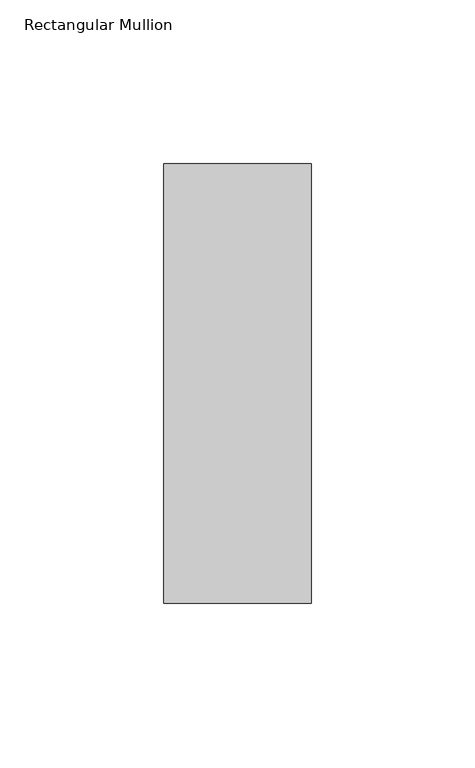
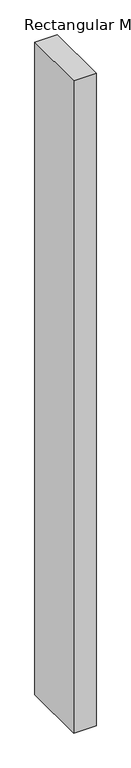
"""IFC4 building model written with IfcOpenShell, lengths in millimetres: member geometry, Rectangular Mullion."""

import ifcopenshell
import ifcopenshell.guid

model = None  # the IFC model being written
_history = None  # IfcOwnerHistory: only IFC2X3 demands one
_inside = {}  # id of a spatial element -> (the spatial element, [elements in it])
_under = {}  # id of a project, library or spatial element -> (it, [spatial elements below it])
_declared = {}  # id of a project -> (the project, [libraries it declares])
_typed = {}  # id of a type object -> (the type object, [elements of that type])
_made_of = {}  # id of a material, layer set ... -> (it, [elements and type objects made of it])


def new_model(schema):
    """Start an empty IFC model of exactly this schema.

    Asked for "IFC4X3", IfcOpenShell would pick the latest addendum, in which some entities
    have other attributes; the version numbers below select the first issue.
    IFC2X3 requires an IfcOwnerHistory on every rooted entity: one is made here for all.
    """
    global model, _history
    if schema == "IFC4X3":
        model = ifcopenshell.file(schema_version=(4, 3, 0, 0))
    else:
        model = ifcopenshell.file(schema=schema)
    _inside.clear()
    _under.clear()
    _declared.clear()
    _typed.clear()
    _made_of.clear()
    _history = None
    if model.schema == "IFC2X3":
        org = make("IfcOrganization", Name="unknown")
        user = make(
            "IfcPersonAndOrganization",
            ThePerson=make("IfcPerson", FamilyName="unknown"),
            TheOrganization=org,
        )
        app = make(
            "IfcApplication",
            ApplicationDeveloper=org,
            Version="unknown",
            ApplicationFullName="unknown",
            ApplicationIdentifier="unknown",
        )
        _history = make(
            "IfcOwnerHistory",
            OwningUser=user,
            OwningApplication=app,
            ChangeAction="ADDED",
            CreationDate=0,
        )
    return model


def make(cls, **values):
    """One entity of the class cls with the attributes given. An attribute that is None is left unset."""
    return model.create_entity(
        cls, **{name: value for name, value in values.items() if value is not None}
    )


def rooted(cls, **values):
    """An entity with a GlobalId (a new one), such as an element, a storey or a relation."""
    return make(cls, GlobalId=ifcopenshell.guid.new(), OwnerHistory=_history, **values)


def si_unit(unit_type, name, prefix=None):
    """IfcSIUnit, for example si_unit("LENGTHUNIT", "METRE", prefix="MILLI")."""
    return make("IfcSIUnit", UnitType=unit_type, Prefix=prefix, Name=name)


def assignment(units):
    """IfcUnitAssignment: the units of a project."""
    return None if units is None else make("IfcUnitAssignment", Units=units)


def point(xyz):
    """IfcCartesianPoint."""
    return None if xyz is None else make("IfcCartesianPoint", Coordinates=xyz)


def direction(xyz):
    """IfcDirection."""
    return None if xyz is None else make("IfcDirection", DirectionRatios=xyz)


def frame(location, z_axis=None, x_axis=None):
    """IfcAxis2Placement3D, a coordinate frame: its origin and axes. An axis left out is left unset."""
    return make(
        "IfcAxis2Placement3D",
        Location=point(location),
        Axis=direction(z_axis),
        RefDirection=direction(x_axis),
    )


def origin():
    """The frame at (0, 0, 0) with its axes left unset."""
    return frame((0.0, 0.0, 0.0))


def place(relative_to, where):
    """IfcLocalPlacement: puts the frame where relative to a parent placement (None: the world)."""
    return make(
        "IfcLocalPlacement", PlacementRelTo=relative_to, RelativePlacement=where
    )


def context(
    kind, dimensions, precision=None, world=None, true_north=None, identifier=None
):
    """IfcGeometricRepresentationContext, for example the 3D "Model" context."""
    return make(
        "IfcGeometricRepresentationContext",
        ContextIdentifier=identifier,
        ContextType=kind,
        CoordinateSpaceDimension=dimensions,
        Precision=precision,
        WorldCoordinateSystem=world,
        TrueNorth=true_north,
    )


def project(units=None, contexts=None):
    """IfcProject with its units and contexts."""
    return rooted(
        "IfcProject",
        Name="project",
        RepresentationContexts=contexts,
        UnitsInContext=assignment(units),
    )


def spatial(cls, under=None, at=None, **own):
    """A site, building, storey or space (cls), placed at a placement, below another one or the project."""
    s = rooted(cls, ObjectPlacement=at, **own)
    if under is not None:
        _under.setdefault(under.id(), (under, []))[1].append(s)
    return s


def polyline(points):
    """IfcPolyline through the points."""
    return make("IfcPolyline", Points=[point(p) for p in points])


def outline(outer, holes=None, kind="AREA"):
    """IfcArbitraryClosedProfileDef: a profile drawn as a closed curve; with holes, ...WithVoids."""
    if holes is None:
        return make("IfcArbitraryClosedProfileDef", ProfileType=kind, OuterCurve=outer)
    return make(
        "IfcArbitraryProfileDefWithVoids",
        ProfileType=kind,
        OuterCurve=outer,
        InnerCurves=holes,
    )


def extrude(swept, where, along, depth):
    """IfcExtrudedAreaSolid: the profile swept, set in the frame where, extruded along a direction by depth."""
    return make(
        "IfcExtrudedAreaSolid",
        SweptArea=swept,
        Position=where,
        ExtrudedDirection=direction(along),
        Depth=depth,
    )


def shape(context_of_items, identifier, shape_type, items):
    """IfcShapeRepresentation: the items that make up one representation, for example the "Body"."""
    return make(
        "IfcShapeRepresentation",
        ContextOfItems=context_of_items,
        RepresentationIdentifier=identifier,
        RepresentationType=shape_type,
        Items=items,
    )


def source(mapping_origin, context_of_items, identifier, shape_type, items):
    """IfcRepresentationMap: a shape defined once, which mapped items show again and again."""
    return make(
        "IfcRepresentationMap",
        MappingOrigin=mapping_origin,
        MappedRepresentation=shape(context_of_items, identifier, shape_type, items),
    )


def transform(
    local_origin,
    x_axis=None,
    y_axis=None,
    z_axis=None,
    scale=None,
    scale2=None,
    scale3=None,
    uniform=True,
):
    """IfcCartesianTransformationOperator3D, or its non-uniform kind. x_axis, y_axis, z_axis: its Axis1, 2, 3."""
    if uniform:
        return make(
            "IfcCartesianTransformationOperator3D",
            Axis1=direction(x_axis),
            Axis2=direction(y_axis),
            LocalOrigin=point(local_origin),
            Scale=scale,
            Axis3=direction(z_axis),
        )
    return make(
        "IfcCartesianTransformationOperator3DnonUniform",
        Axis1=direction(x_axis),
        Axis2=direction(y_axis),
        LocalOrigin=point(local_origin),
        Scale=scale,
        Axis3=direction(z_axis),
        Scale2=scale2,
        Scale3=scale3,
    )


def mapped(mapping_source, mapping_target):
    """IfcMappedItem: shows the shape of a source again, moved by a transform."""
    return make(
        "IfcMappedItem", MappingSource=mapping_source, MappingTarget=mapping_target
    )


def made_of(thing, what):
    """Note that an element or type object is made of a material, layer set ...; save() writes the relation."""
    if what is not None:
        _made_of.setdefault(what.id(), (what, []))[1].append(thing)
    return thing


def element(
    cls,
    number,
    at=None,
    inside=None,
    cuts=None,
    type_object=None,
    material=None,
    context=None,
    identifier="Body",
    shape_type=None,
    held_by="IfcProductDefinitionShape",
    body=None,
    shapes=None,
    **own,
):
    """One element of the class cls, such as IfcWall. Its Tag is "e" and its number.

    at: its placement. inside: the storey or other place that contains it. cuts: it is an
    opening in that element (IfcRelVoidsElement). A single representation is given by context,
    identifier, shape_type and body (its items); several are given by shapes. held_by: the class
    of the entity that holds the representations. save() writes the other relations.
    """
    e = rooted(cls, Tag="e%d" % number, ObjectPlacement=at, **own)
    if body is not None:
        shapes = [shape(context, identifier, shape_type, body)]
    if shapes is not None:
        e.Representation = make(held_by, Representations=shapes)
    if inside is not None:
        _inside.setdefault(inside.id(), (inside, []))[1].append(e)
    if cuts is not None:
        rooted(
            "IfcRelVoidsElement", RelatingBuildingElement=cuts, RelatedOpeningElement=e
        )
    if type_object is not None:
        _typed.setdefault(type_object.id(), (type_object, []))[1].append(e)
    return made_of(e, material)


def aggregate(whole, parts):
    """IfcRelAggregates: a whole, such as a stair, and the parts it consists of."""
    return rooted("IfcRelAggregates", RelatingObject=whole, RelatedObjects=parts)


def save(model, path):
    """Write the relations noted so far, then the file.

    IfcRelAggregates (storeys below a building ...), IfcRelContainedInSpatialStructure (elements
    in a storey), IfcRelDefinesByType, IfcRelAssociatesMaterial and IfcRelDeclares: one each for
    every whole, place, type object, material and project.
    """
    for whole, parts in _under.values():
        aggregate(whole, parts)
    for where, things in _inside.values():
        rooted(
            "IfcRelContainedInSpatialStructure",
            RelatedElements=things,
            RelatingStructure=where,
        )
    for kind, things in _typed.values():
        rooted("IfcRelDefinesByType", RelatedObjects=things, RelatingType=kind)
    for what, things in _made_of.values():
        rooted("IfcRelAssociatesMaterial", RelatedObjects=things, RelatingMaterial=what)
    for by, libraries in _declared.values():
        rooted("IfcRelDeclares", RelatingContext=by, RelatedDefinitions=libraries)
    model.write(path)


def rectangular_mullion_83657e9f(model_context):
    return source(origin(), model_context, "Body", "SweptSolid", [
        extrude(outline(polyline([(22.5, 82.60625), (22.5, -51.60625), (-22.5, -51.60625), (-22.5, 82.60625), (22.5, 82.60625)])), frame((0.0, 0.0, -1382.3566406), z_axis=(0.0, 0.0, 1.0), x_axis=(1.0, 0.0, 0.0)), (0.0, 0.0, 1.0), 1382.3566406),
    ])


if __name__ == "__main__":
    model = new_model("IFC4")
    model_context = context("Model", 3, world=origin())
    ifc_project = project(units=[si_unit("LENGTHUNIT", "METRE", prefix="MILLI")], contexts=[model_context])
    site = spatial("IfcSite", under=ifc_project)
    building = spatial("IfcBuilding", under=site)
    placement = place(None, origin())
    rectangular_mullion_shape = rectangular_mullion_83657e9f(model_context)
    element("IfcMember", 1, ObjectType="Rectangular Mullion", at=placement, inside=building, context=model_context, shape_type="MappedRepresentation", body=[
        mapped(rectangular_mullion_shape, transform((0.0, 0.0, 0.0), x_axis=(1.0, 0.0, 0.0), y_axis=(0.0, 1.0, 0.0), z_axis=(0.0, 0.0, 1.0))),
    ])
    save(model, "model.ifc")
